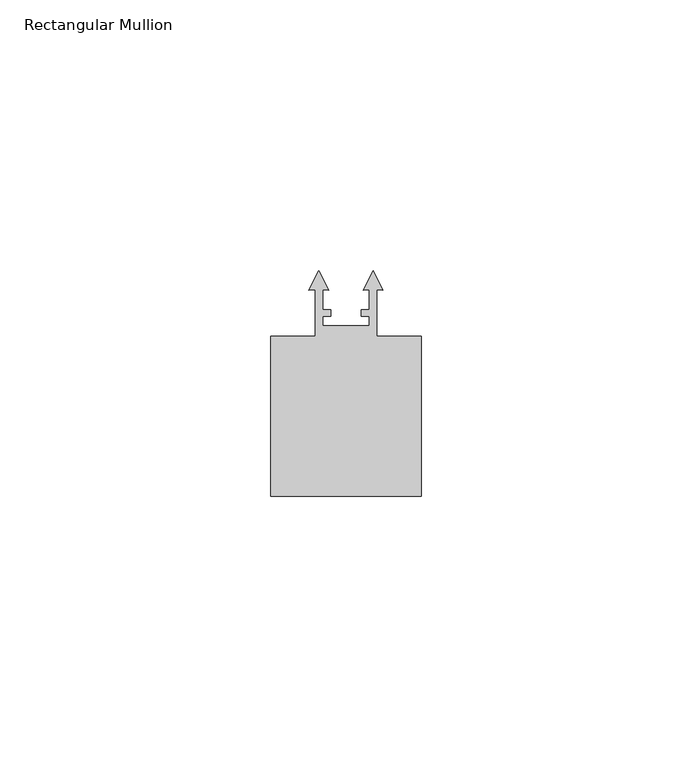
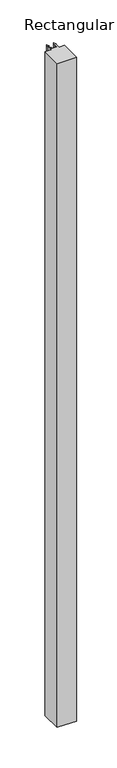
"""IFC4 building model written with IfcOpenShell, lengths in millimetres: member geometry, Rectangular Mullion."""

from ifc_helpers import new_model, si_unit, frame, origin, place, context, project, spatial, polyline, outline, extrude, source, transform, mapped, element, save


def rectangular_mullion_f76d8901(model_context):
    return source(origin(), model_context, "Body", "SweptSolid", [
        extrude(outline(polyline([(-27.7, -66.1), (-27.7, -36.6), (-19.5591807, -36.6), (-19.5591807, -28.0038205), (-20.6749172, -28.1014348), (-18.8591806, -24.5378474), (-17.043444, -28.1014348), (-18.1591804, -28.0038206), (-18.1591804, -31.698351), (-16.65, -31.698351), (-16.65, -32.9004386), (-18.1499998, -32.9004386), (-18.1499998, -34.7), (-9.5500002, -34.7), (-9.5500002, -32.9004386), (-11.05, -32.9004386), (-11.05, -31.698351), (-9.5408196, -31.698351), (-9.5408196, -28.0038206), (-10.656556, -28.1014348), (-8.8408194, -24.5378474), (-7.0250829, -28.1014348), (-8.1408193, -28.0038205), (-8.1408193, -36.5995654), (0.0, -36.5995654), (0.0, -66.1), (-27.7, -66.1)])), frame((0.0, 0.0, -1000.0), z_axis=(0.0, 0.0, 1.0), x_axis=(1.0, 0.0, 0.0)), (0.0, 0.0, 1.0), 1000.0),
    ])


if __name__ == "__main__":
    model = new_model("IFC4")
    model_context = context("Model", 3, world=origin())
    ifc_project = project(units=[si_unit("LENGTHUNIT", "METRE", prefix="MILLI")], contexts=[model_context])
    site = spatial("IfcSite", under=ifc_project)
    building = spatial("IfcBuilding", under=site)
    placement = place(None, origin())
    rectangular_mullion_shape = rectangular_mullion_f76d8901(model_context)
    element("IfcMember", 1, ObjectType="Rectangular Mullion", at=placement, inside=building, context=model_context, shape_type="MappedRepresentation", body=[
        mapped(rectangular_mullion_shape, transform((0.0, 0.0, 0.0), x_axis=(1.0, 0.0, 0.0), y_axis=(0.0, 1.0, 0.0), z_axis=(0.0, 0.0, 1.0))),
    ])
    save(model, "model.ifc")
